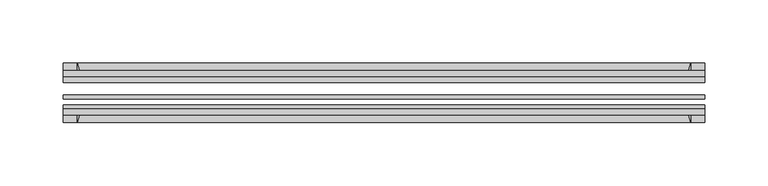
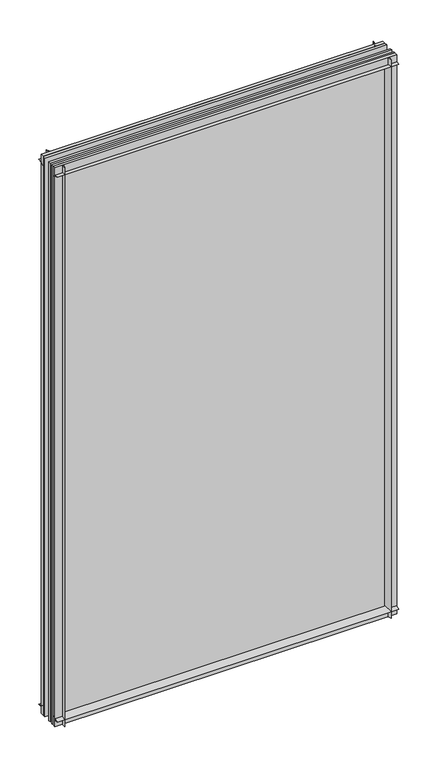
"""IFC4 building model written with IfcOpenShell, lengths in millimetres: plate geometry."""

import ifcopenshell
import ifcopenshell.guid

model = None  # the IFC model being written
_history = None  # IfcOwnerHistory: only IFC2X3 demands one
_inside = {}  # id of a spatial element -> (the spatial element, [elements in it])
_under = {}  # id of a project, library or spatial element -> (it, [spatial elements below it])
_declared = {}  # id of a project -> (the project, [libraries it declares])
_typed = {}  # id of a type object -> (the type object, [elements of that type])
_made_of = {}  # id of a material, layer set ... -> (it, [elements and type objects made of it])


def new_model(schema):
    """Start an empty IFC model of exactly this schema.

    Asked for "IFC4X3", IfcOpenShell would pick the latest addendum, in which some entities
    have other attributes; the version numbers below select the first issue.
    IFC2X3 requires an IfcOwnerHistory on every rooted entity: one is made here for all.
    """
    global model, _history
    if schema == "IFC4X3":
        model = ifcopenshell.file(schema_version=(4, 3, 0, 0))
    else:
        model = ifcopenshell.file(schema=schema)
    _inside.clear()
    _under.clear()
    _declared.clear()
    _typed.clear()
    _made_of.clear()
    _history = None
    if model.schema == "IFC2X3":
        org = make("IfcOrganization", Name="unknown")
        user = make(
            "IfcPersonAndOrganization",
            ThePerson=make("IfcPerson", FamilyName="unknown"),
            TheOrganization=org,
        )
        app = make(
            "IfcApplication",
            ApplicationDeveloper=org,
            Version="unknown",
            ApplicationFullName="unknown",
            ApplicationIdentifier="unknown",
        )
        _history = make(
            "IfcOwnerHistory",
            OwningUser=user,
            OwningApplication=app,
            ChangeAction="ADDED",
            CreationDate=0,
        )
    return model


def make(cls, **values):
    """One entity of the class cls with the attributes given. An attribute that is None is left unset."""
    return model.create_entity(
        cls, **{name: value for name, value in values.items() if value is not None}
    )


def rooted(cls, **values):
    """An entity with a GlobalId (a new one), such as an element, a storey or a relation."""
    return make(cls, GlobalId=ifcopenshell.guid.new(), OwnerHistory=_history, **values)


def si_unit(unit_type, name, prefix=None):
    """IfcSIUnit, for example si_unit("LENGTHUNIT", "METRE", prefix="MILLI")."""
    return make("IfcSIUnit", UnitType=unit_type, Prefix=prefix, Name=name)


def assignment(units):
    """IfcUnitAssignment: the units of a project."""
    return None if units is None else make("IfcUnitAssignment", Units=units)


def point(xyz):
    """IfcCartesianPoint."""
    return None if xyz is None else make("IfcCartesianPoint", Coordinates=xyz)


def direction(xyz):
    """IfcDirection."""
    return None if xyz is None else make("IfcDirection", DirectionRatios=xyz)


def frame(location, z_axis=None, x_axis=None):
    """IfcAxis2Placement3D, a coordinate frame: its origin and axes. An axis left out is left unset."""
    return make(
        "IfcAxis2Placement3D",
        Location=point(location),
        Axis=direction(z_axis),
        RefDirection=direction(x_axis),
    )


def frame_2d(location, x_axis=None):
    """IfcAxis2Placement2D, a coordinate frame in the plane: its origin and x axis."""
    return make(
        "IfcAxis2Placement2D", Location=point(location), RefDirection=direction(x_axis)
    )


def origin():
    """The frame at (0, 0, 0) with its axes left unset."""
    return frame((0.0, 0.0, 0.0))


def place(relative_to, where):
    """IfcLocalPlacement: puts the frame where relative to a parent placement (None: the world)."""
    return make(
        "IfcLocalPlacement", PlacementRelTo=relative_to, RelativePlacement=where
    )


def context(
    kind, dimensions, precision=None, world=None, true_north=None, identifier=None
):
    """IfcGeometricRepresentationContext, for example the 3D "Model" context."""
    return make(
        "IfcGeometricRepresentationContext",
        ContextIdentifier=identifier,
        ContextType=kind,
        CoordinateSpaceDimension=dimensions,
        Precision=precision,
        WorldCoordinateSystem=world,
        TrueNorth=true_north,
    )


def project(units=None, contexts=None):
    """IfcProject with its units and contexts."""
    return rooted(
        "IfcProject",
        Name="project",
        RepresentationContexts=contexts,
        UnitsInContext=assignment(units),
    )


def spatial(cls, under=None, at=None, **own):
    """A site, building, storey or space (cls), placed at a placement, below another one or the project."""
    s = rooted(cls, ObjectPlacement=at, **own)
    if under is not None:
        _under.setdefault(under.id(), (under, []))[1].append(s)
    return s


def polyline(points):
    """IfcPolyline through the points."""
    return make("IfcPolyline", Points=[point(p) for p in points])


def circle_curve(where, radius):
    """IfcCircle in the frame where."""
    return make("IfcCircle", Position=where, Radius=radius)


def trimmed(basis, trim1, trim2, sense, master):
    """IfcTrimmedCurve: the piece of a basis curve between two trims."""
    return make(
        "IfcTrimmedCurve",
        BasisCurve=basis,
        Trim1=trim1,
        Trim2=trim2,
        SenseAgreement=sense,
        MasterRepresentation=master,
    )


def segment(curve, same_sense, transition):
    """IfcCompositeCurveSegment."""
    return make(
        "IfcCompositeCurveSegment",
        Transition=transition,
        SameSense=same_sense,
        ParentCurve=curve,
    )


def composite_curve(segments, self_intersect=None):
    """IfcCompositeCurve: segments joined end to end."""
    return make("IfcCompositeCurve", Segments=segments, SelfIntersect=self_intersect)


def outline(outer, holes=None, kind="AREA"):
    """IfcArbitraryClosedProfileDef: a profile drawn as a closed curve; with holes, ...WithVoids."""
    if holes is None:
        return make("IfcArbitraryClosedProfileDef", ProfileType=kind, OuterCurve=outer)
    return make(
        "IfcArbitraryProfileDefWithVoids",
        ProfileType=kind,
        OuterCurve=outer,
        InnerCurves=holes,
    )


def extrude(swept, where, along, depth):
    """IfcExtrudedAreaSolid: the profile swept, set in the frame where, extruded along a direction by depth."""
    return make(
        "IfcExtrudedAreaSolid",
        SweptArea=swept,
        Position=where,
        ExtrudedDirection=direction(along),
        Depth=depth,
    )


def shape(context_of_items, identifier, shape_type, items):
    """IfcShapeRepresentation: the items that make up one representation, for example the "Body"."""
    return make(
        "IfcShapeRepresentation",
        ContextOfItems=context_of_items,
        RepresentationIdentifier=identifier,
        RepresentationType=shape_type,
        Items=items,
    )


def source(mapping_origin, context_of_items, identifier, shape_type, items):
    """IfcRepresentationMap: a shape defined once, which mapped items show again and again."""
    return make(
        "IfcRepresentationMap",
        MappingOrigin=mapping_origin,
        MappedRepresentation=shape(context_of_items, identifier, shape_type, items),
    )


def transform(
    local_origin,
    x_axis=None,
    y_axis=None,
    z_axis=None,
    scale=None,
    scale2=None,
    scale3=None,
    uniform=True,
):
    """IfcCartesianTransformationOperator3D, or its non-uniform kind. x_axis, y_axis, z_axis: its Axis1, 2, 3."""
    if uniform:
        return make(
            "IfcCartesianTransformationOperator3D",
            Axis1=direction(x_axis),
            Axis2=direction(y_axis),
            LocalOrigin=point(local_origin),
            Scale=scale,
            Axis3=direction(z_axis),
        )
    return make(
        "IfcCartesianTransformationOperator3DnonUniform",
        Axis1=direction(x_axis),
        Axis2=direction(y_axis),
        LocalOrigin=point(local_origin),
        Scale=scale,
        Axis3=direction(z_axis),
        Scale2=scale2,
        Scale3=scale3,
    )


def mapped(mapping_source, mapping_target):
    """IfcMappedItem: shows the shape of a source again, moved by a transform."""
    return make(
        "IfcMappedItem", MappingSource=mapping_source, MappingTarget=mapping_target
    )


def made_of(thing, what):
    """Note that an element or type object is made of a material, layer set ...; save() writes the relation."""
    if what is not None:
        _made_of.setdefault(what.id(), (what, []))[1].append(thing)
    return thing


def element(
    cls,
    number,
    at=None,
    inside=None,
    cuts=None,
    type_object=None,
    material=None,
    context=None,
    identifier="Body",
    shape_type=None,
    held_by="IfcProductDefinitionShape",
    body=None,
    shapes=None,
    **own,
):
    """One element of the class cls, such as IfcWall. Its Tag is "e" and its number.

    at: its placement. inside: the storey or other place that contains it. cuts: it is an
    opening in that element (IfcRelVoidsElement). A single representation is given by context,
    identifier, shape_type and body (its items); several are given by shapes. held_by: the class
    of the entity that holds the representations. save() writes the other relations.
    """
    e = rooted(cls, Tag="e%d" % number, ObjectPlacement=at, **own)
    if body is not None:
        shapes = [shape(context, identifier, shape_type, body)]
    if shapes is not None:
        e.Representation = make(held_by, Representations=shapes)
    if inside is not None:
        _inside.setdefault(inside.id(), (inside, []))[1].append(e)
    if cuts is not None:
        rooted(
            "IfcRelVoidsElement", RelatingBuildingElement=cuts, RelatedOpeningElement=e
        )
    if type_object is not None:
        _typed.setdefault(type_object.id(), (type_object, []))[1].append(e)
    return made_of(e, material)


def aggregate(whole, parts):
    """IfcRelAggregates: a whole, such as a stair, and the parts it consists of."""
    return rooted("IfcRelAggregates", RelatingObject=whole, RelatedObjects=parts)


def save(model, path):
    """Write the relations noted so far, then the file.

    IfcRelAggregates (storeys below a building ...), IfcRelContainedInSpatialStructure (elements
    in a storey), IfcRelDefinesByType, IfcRelAssociatesMaterial and IfcRelDeclares: one each for
    every whole, place, type object, material and project.
    """
    for whole, parts in _under.values():
        aggregate(whole, parts)
    for where, things in _inside.values():
        rooted(
            "IfcRelContainedInSpatialStructure",
            RelatedElements=things,
            RelatingStructure=where,
        )
    for kind, things in _typed.values():
        rooted("IfcRelDefinesByType", RelatedObjects=things, RelatingType=kind)
    for what, things in _made_of.values():
        rooted("IfcRelAssociatesMaterial", RelatedObjects=things, RelatingMaterial=what)
    for by, libraries in _declared.values():
        rooted("IfcRelDeclares", RelatingContext=by, RelatedDefinitions=libraries)
    model.write(path)


def plate_7332631d(model_context):
    return source(origin(), model_context, "Body", "SweptSolid", [
        extrude(outline(composite_curve([segment(polyline([(-74.653775, 0.0), (-80.586498, 0.0)]), True, "CONTINUOUS"), segment(trimmed(circle_curve(frame_2d((-86.2543953, 32.273404)), 32.7673262), [point((-80.586498, 0.0))], [point((-69.878575, 3.8915405))], True, "CARTESIAN"), True, "CONTINUOUS"), segment(polyline([(-69.878575, 3.8915405), (-69.878575, -10.31875), (-74.653775, -10.31875), (-74.653775, 0.0)]), True, "CONTINUOUS")], self_intersect=False)), frame((-253.20625, 0.0, 0.0), z_axis=(1.0, 0.0, 0.0), x_axis=(0.0, 1.0, 0.0)), (0.0, 0.0, 1.0), 506.4125),
        extrude(outline(composite_curve([segment(polyline([(-44.478575, -10.31875), (-44.478575, 3.8915405)]), True, "CONTINUOUS"), segment(trimmed(circle_curve(frame_2d((-28.1027547, 32.273404)), 32.7673262), [point((-44.478575, 3.8915405))], [point((-33.770652, 0.0))], True, "CARTESIAN"), True, "CONTINUOUS"), segment(polyline([(-33.770652, 0.0), (-39.703375, 0.0), (-39.703375, -10.31875), (-44.478575, -10.31875)]), True, "CONTINUOUS")], self_intersect=False)), frame((-253.20625, 0.0, 0.0), z_axis=(1.0, 0.0, 0.0), x_axis=(0.0, 1.0, 0.0)), (0.0, 0.0, 1.0), 506.4125),
        extrude(outline(composite_curve([segment(trimmed(circle_curve(frame_2d((-86.2543953, 821.795246)), 32.7673262), [point((-69.878575, 850.1771095))], [point((-80.622775, 854.075))], True, "CARTESIAN"), True, "CONTINUOUS"), segment(polyline([(-80.622775, 854.075), (-74.653775, 854.075), (-74.653775, 865.1875), (-69.878575, 865.1875), (-69.878575, 850.1771095)]), True, "CONTINUOUS")], self_intersect=False)), frame((-253.20625, 0.0, 0.0), z_axis=(1.0, 0.0, 0.0), x_axis=(0.0, 1.0, 0.0)), (0.0, 0.0, 1.0), 506.4125),
        extrude(outline(composite_curve([segment(polyline([(-44.478575, 850.1771095), (-44.478575, 865.1875), (-39.703375, 865.1875), (-39.703375, 854.075), (-33.734375, 854.075)]), True, "CONTINUOUS"), segment(trimmed(circle_curve(frame_2d((-28.1027547, 821.795246)), 32.7673262), [point((-33.734375, 854.075))], [point((-44.478575, 850.1771095))], True, "CARTESIAN"), True, "CONTINUOUS")], self_intersect=False)), frame((-253.20625, 0.0, 0.0), z_axis=(1.0, 0.0, 0.0), x_axis=(0.0, 1.0, 0.0)), (0.0, 0.0, 1.0), 506.4125),
        extrude(outline(composite_curve([segment(polyline([(238.1958595, -69.878575), (253.20625, -69.878575), (253.20625, -74.653775), (242.09375, -74.653775), (242.09375, -80.622775)]), True, "CONTINUOUS"), segment(trimmed(circle_curve(frame_2d((209.813996, -86.2543953)), 32.7673262), [point((242.09375, -80.622775))], [point((238.1958595, -69.878575))], True, "CARTESIAN"), True, "CONTINUOUS")], self_intersect=False)), frame((0.0, 0.0, -10.31875), z_axis=(0.0, 0.0, 1.0), x_axis=(1.0, 0.0, 0.0)), (0.0, 0.0, 1.0), 875.50625),
        extrude(outline(composite_curve([segment(trimmed(circle_curve(frame_2d((209.813996, -28.1027547)), 32.7673262), [point((238.1958595, -44.478575))], [point((242.09375, -33.734375))], True, "CARTESIAN"), True, "CONTINUOUS"), segment(polyline([(242.09375, -33.734375), (242.09375, -39.703375), (253.20625, -39.703375), (253.20625, -44.478575), (238.1958595, -44.478575)]), True, "CONTINUOUS")], self_intersect=False)), frame((0.0, 0.0, -10.31875), z_axis=(0.0, 0.0, 1.0), x_axis=(1.0, 0.0, 0.0)), (0.0, 0.0, 1.0), 875.50625),
        extrude(outline(composite_curve([segment(trimmed(circle_curve(frame_2d((-209.813996, -86.2543953)), 32.7673262), [point((-238.1958595, -69.878575))], [point((-242.09375, -80.622775))], True, "CARTESIAN"), True, "CONTINUOUS"), segment(polyline([(-242.09375, -80.622775), (-242.09375, -74.653775), (-253.20625, -74.653775), (-253.20625, -69.878575), (-238.1958595, -69.878575)]), True, "CONTINUOUS")], self_intersect=False)), frame((0.0, 0.0, -10.31875), z_axis=(0.0, 0.0, 1.0), x_axis=(1.0, 0.0, 0.0)), (0.0, 0.0, 1.0), 875.50625),
        extrude(outline(composite_curve([segment(polyline([(-238.1958595, -44.478575), (-253.20625, -44.478575), (-253.20625, -39.703375), (-242.09375, -39.703375), (-242.09375, -33.734375)]), True, "CONTINUOUS"), segment(trimmed(circle_curve(frame_2d((-209.813996, -28.1027547)), 32.7673262), [point((-242.09375, -33.734375))], [point((-238.1958595, -44.478575))], True, "CARTESIAN"), True, "CONTINUOUS")], self_intersect=False)), frame((0.0, 0.0, -10.31875), z_axis=(0.0, 0.0, 1.0), x_axis=(1.0, 0.0, 0.0)), (0.0, 0.0, 1.0), 875.50625),
        extrude(outline(polyline([(-253.20625, -44.478575), (253.20625, -44.478575), (253.20625, -49.241075), (-253.20625, -49.241075), (-253.20625, -44.478575)])), frame((0.0, 0.0, -10.31875), z_axis=(0.0, 0.0, 1.0), x_axis=(1.0, 0.0, 0.0)), (0.0, 0.0, 1.0), 875.50625),
        extrude(outline(polyline([(253.20625, -58.956575), (253.20625, -62.131575), (-253.20625, -62.131575), (-253.20625, -58.956575), (253.20625, -58.956575)])), frame((0.0, 0.0, -10.31875), z_axis=(0.0, 0.0, 1.0), x_axis=(1.0, 0.0, 0.0)), (0.0, 0.0, 1.0), 875.50625),
        extrude(outline(polyline([(-253.20625, -66.703575), (253.20625, -66.703575), (253.20625, -69.878575), (-253.20625, -69.878575), (-253.20625, -66.703575)])), frame((0.0, 0.0, -10.31875), z_axis=(0.0, 0.0, 1.0), x_axis=(1.0, 0.0, 0.0)), (0.0, 0.0, 1.0), 875.50625),
    ])


if __name__ == "__main__":
    model = new_model("IFC4")
    model_context = context("Model", 3, world=origin())
    ifc_project = project(units=[si_unit("LENGTHUNIT", "METRE", prefix="MILLI")], contexts=[model_context])
    site = spatial("IfcSite", under=ifc_project)
    building = spatial("IfcBuilding", under=site)
    placement = place(None, origin())
    plate_shape = plate_7332631d(model_context)
    element("IfcPlate", 1, at=placement, inside=building, context=model_context, shape_type="MappedRepresentation", body=[
        mapped(plate_shape, transform((0.0, 0.0, 0.0), x_axis=(1.0, 0.0, 0.0), y_axis=(0.0, 1.0, 0.0), z_axis=(0.0, 0.0, 1.0))),
    ])
    save(model, "model.ifc")
